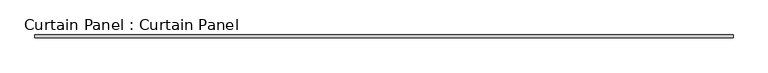
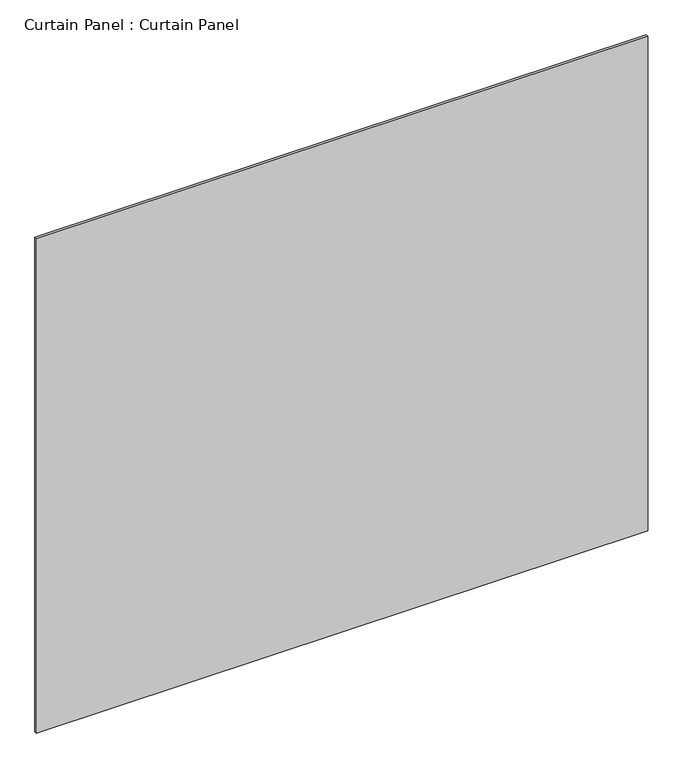
"""IFC4 building model written with IfcOpenShell, lengths in millimetres: plate geometry, Curtain Panel : Curtain Panel."""

from ifc_helpers import new_model, si_unit, frame, origin, place, context, project, spatial, polyline, outline, extrude, source, transform, mapped, element, save


def curtain_panel_curtain_panel_cca56f7d(model_context):
    return source(origin(), model_context, "Body", "SweptSolid", [
        extrude(outline(polyline([(285437.3063541, 2414.4484836), (283760.9063541, 2414.4484836), (283760.9063541, 2420.7984836), (285437.3063541, 2420.7984836), (285437.3063541, 2414.4484836)])), frame((0.0, 0.0, 4914.2249337), z_axis=(0.0, 0.0, 1.0), x_axis=(1.0, 0.0, 0.0)), (0.0, 0.0, 1.0), 1432.7076284),
    ])


if __name__ == "__main__":
    model = new_model("IFC4")
    model_context = context("Model", 3, world=origin())
    ifc_project = project(units=[si_unit("LENGTHUNIT", "METRE", prefix="MILLI")], contexts=[model_context])
    site = spatial("IfcSite", under=ifc_project)
    building = spatial("IfcBuilding", under=site)
    placement = place(None, origin())
    curtain_panel_curtain_panel_shape = curtain_panel_curtain_panel_cca56f7d(model_context)
    element("IfcPlate", 1, ObjectType="Curtain Panel : Curtain Panel", at=placement, inside=building, context=model_context, shape_type="MappedRepresentation", body=[
        mapped(curtain_panel_curtain_panel_shape, transform((0.0, 0.0, 0.0), x_axis=(1.0, 0.0, 0.0), y_axis=(0.0, 1.0, 0.0), z_axis=(0.0, 0.0, 1.0))),
    ])
    save(model, "model.ifc")
